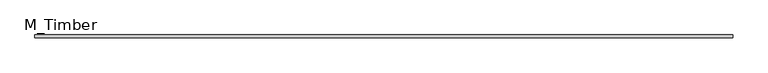
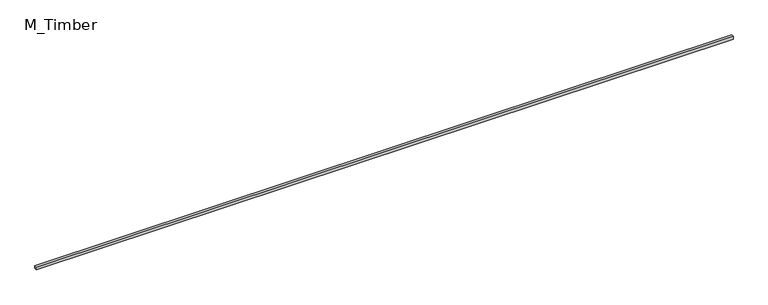
"""IFC4 building model written with IfcOpenShell, lengths in millimetres: beam geometry, M_Timber."""

from ifc_helpers import new_model, si_unit, frame, origin, place, context, project, spatial, polyline, outline, extrude, source, transform, mapped, element, save


def m_timber_582beeb3(model_context):
    return source(origin(), model_context, "Body", "SweptSolid", [
        extrude(outline(polyline([(5144.2392108, 20.0), (5144.2392108, -20.0), (-5144.2392108, -20.0), (-5144.2392108, 20.0), (5144.2392108, 20.0)])), frame((0.0, 0.0, -20.0), z_axis=(0.0, 0.0, 1.0), x_axis=(1.0, 0.0, 0.0)), (0.0, 0.0, 1.0), 40.0),
    ])


if __name__ == "__main__":
    model = new_model("IFC4")
    model_context = context("Model", 3, world=origin())
    ifc_project = project(units=[si_unit("LENGTHUNIT", "METRE", prefix="MILLI")], contexts=[model_context])
    site = spatial("IfcSite", under=ifc_project)
    building = spatial("IfcBuilding", under=site)
    placement = place(None, origin())
    m_timber_shape = m_timber_582beeb3(model_context)
    element("IfcBeam", 1, ObjectType="M_Timber", at=placement, inside=building, context=model_context, shape_type="MappedRepresentation", body=[
        mapped(m_timber_shape, transform((0.0, 0.0, 0.0), x_axis=(1.0, 0.0, 0.0), y_axis=(0.0, 1.0, 0.0), z_axis=(0.0, 0.0, 1.0))),
    ])
    save(model, "model.ifc")
